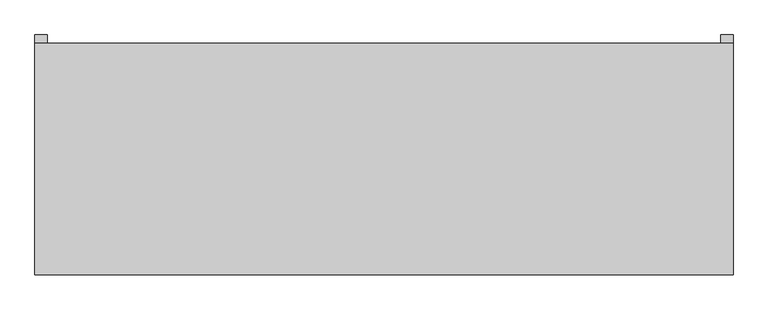
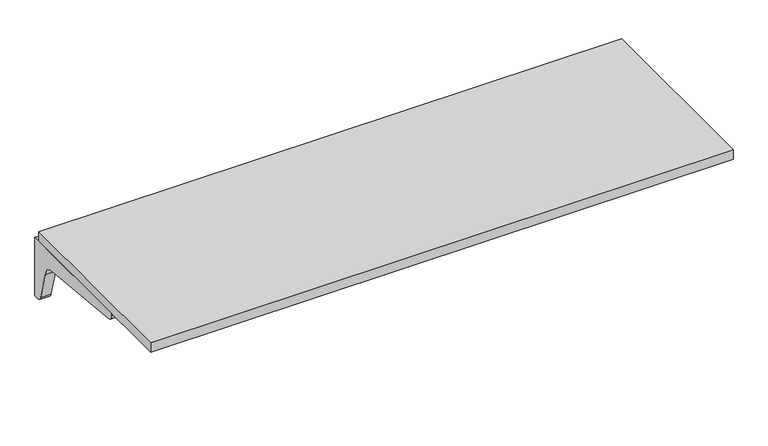
"""IFC4 building model written with IfcOpenShell, lengths in millimetres: furniture geometry."""

from ifc_helpers import new_model, si_unit, point, frame, frame_2d, origin, place, context, project, spatial, polyline, circle_curve, trimmed, segment, composite_curve, outline, extrude, source, transform, mapped, element, save


def furniture_2c638d62(model_context):
    return source(origin(), model_context, "Body", "SweptSolid", [
        extrude(outline(composite_curve([segment(polyline([(314.325, 692.15), (314.325, 498.475), (301.625, 498.475)]), True, "CONTINUOUS"), segment(trimmed(circle_curve(frame_2d((299.3081081, 515.6371622)), 17.3178462), [point((301.625, 498.475))], [point((282.575, 511.175))], False, "CARTESIAN"), True, "CONTINUOUS"), segment(polyline([(282.575, 511.175), (257.175, 603.25)]), True, "CONTINUOUS"), segment(trimmed(circle_curve(frame_2d((221.8170455, 599.6420455)), 35.5415572), [point((257.175, 603.25))], [point((225.425, 635.0))], True, "CARTESIAN"), True, "CONTINUOUS"), segment(polyline([(225.425, 635.0), (-85.725, 666.75)]), True, "CONTINUOUS"), segment(trimmed(circle_curve(frame_2d((-85.725, 685.8)), 19.05), [point((-85.725, 666.75))], [point((-104.775, 685.8))], False, "CARTESIAN"), True, "CONTINUOUS"), segment(polyline([(-104.775, 685.8), (-104.775, 692.15), (314.325, 692.15)]), True, "CONTINUOUS")], self_intersect=False)), frame((882.65, 0.0, 0.0), z_axis=(1.0, 0.0, 0.0), x_axis=(0.0, 1.0, 0.0)), (0.0, 0.0, 1.0), 31.75),
        extrude(outline(composite_curve([segment(polyline([(314.325, 692.15), (314.325, 498.475), (301.625, 498.475)]), True, "CONTINUOUS"), segment(trimmed(circle_curve(frame_2d((299.3081081, 515.6371622)), 17.3178462), [point((301.625, 498.475))], [point((282.575, 511.175))], False, "CARTESIAN"), True, "CONTINUOUS"), segment(polyline([(282.575, 511.175), (257.175, 603.25)]), True, "CONTINUOUS"), segment(trimmed(circle_curve(frame_2d((221.8170455, 599.6420455)), 35.5415572), [point((257.175, 603.25))], [point((225.425, 635.0))], True, "CARTESIAN"), True, "CONTINUOUS"), segment(polyline([(225.425, 635.0), (-85.725, 666.75)]), True, "CONTINUOUS"), segment(trimmed(circle_curve(frame_2d((-85.725, 685.8)), 19.05), [point((-85.725, 666.75))], [point((-104.775, 685.8))], False, "CARTESIAN"), True, "CONTINUOUS"), segment(polyline([(-104.775, 685.8), (-104.775, 692.15), (314.325, 692.15)]), True, "CONTINUOUS")], self_intersect=False)), frame((-914.4, 0.0, 0.0), z_axis=(1.0, 0.0, 0.0), x_axis=(0.0, 1.0, 0.0)), (0.0, 0.0, 1.0), 31.75),
        extrude(outline(polyline([(-914.4, 292.1), (914.4, 292.1), (914.4, -314.325), (-914.4, -314.325), (-914.4, 292.1)])), frame((0.0, 0.0, 692.15), z_axis=(0.0, 0.0, 1.0), x_axis=(1.0, 0.0, 0.0)), (0.0, 0.0, 1.0), 31.75),
    ])


if __name__ == "__main__":
    model = new_model("IFC4")
    model_context = context("Model", 3, world=origin())
    ifc_project = project(units=[si_unit("LENGTHUNIT", "METRE", prefix="MILLI")], contexts=[model_context])
    site = spatial("IfcSite", under=ifc_project)
    building = spatial("IfcBuilding", under=site)
    placement = place(None, origin())
    furniture_shape = furniture_2c638d62(model_context)
    element("IfcFurniture", 1, at=placement, inside=building, context=model_context, shape_type="MappedRepresentation", body=[
        mapped(furniture_shape, transform((0.0, 0.0, 0.0), x_axis=(1.0, 0.0, 0.0), y_axis=(0.0, 1.0, 0.0), z_axis=(0.0, 0.0, 1.0))),
    ])
    save(model, "model.ifc")
